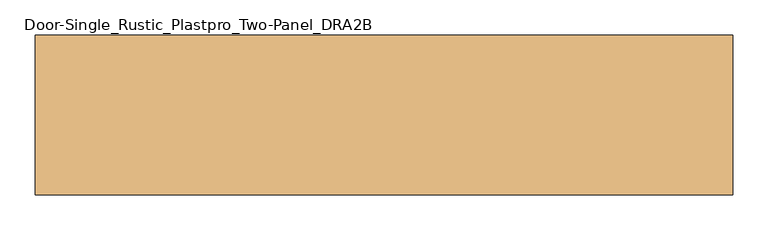
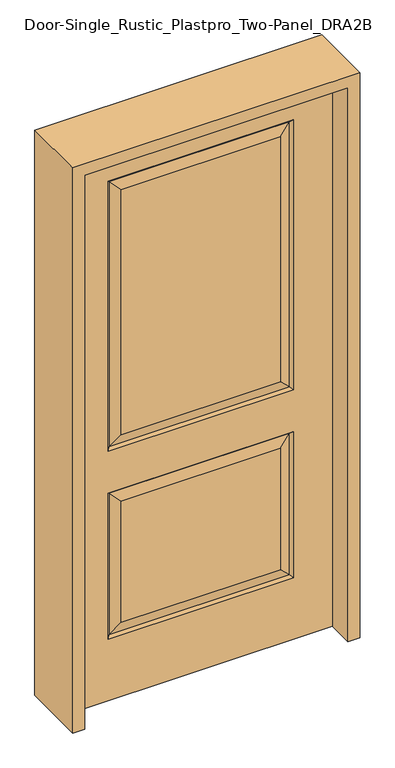
"""IFC4 building model written with IfcOpenShell, lengths in millimetres: door geometry, Door-Single_Rustic_Plastpro_Two-Panel_DRA2B."""

from ifc_helpers import new_model, si_unit, frame, origin, place, context, project, spatial, polyline, outline, extrude, faceted_brep, source, transform, mapped, element, save


def door_single_rustic_plastpro_two_panel_dra2b_9ab24afa(model_context):
    return source(origin(), model_context, "Body", "SolidModel", [
        faceted_brep([(457.2, 20.6375, 0.0), (457.2, -20.6375, 0.0), (-457.2, -20.6375, 0.0), (-457.2, 20.6375, 0.0), (457.2, 20.6375, 2032.0), (457.2, -20.6375, 2032.0), (-276.225, -20.6375, 960.4375), (276.225, -20.6375, 960.4375), (276.225, -20.6375, 1858.9625), (-276.225, -20.6375, 1858.9625), (-276.225, -20.6375, 271.4625), (276.225, -20.6375, 271.4625), (276.225, -20.6375, 715.9625), (-276.225, -20.6375, 715.9625), (-457.2, -20.6375, 2032.0), (322.2625, -20.6375, 914.4), (-322.2625, -20.6375, 914.4), (-322.2625, -20.6375, 1905.0), (322.2625, -20.6375, 1905.0), (322.2625, -20.6375, 225.425), (-322.2625, -20.6375, 225.425), (-322.2625, -20.6375, 762.0), (322.2625, -20.6375, 762.0), (-457.2, 20.6375, 2032.0), (-276.225, 20.6375, 715.9625), (276.225, 20.6375, 715.9625), (276.225, 20.6375, 271.4625), (-276.225, 20.6375, 271.4625), (-276.225, 20.6375, 1858.9625), (276.225, 20.6375, 1858.9625), (276.225, 20.6375, 960.4375), (-276.225, 20.6375, 960.4375), (322.2625, 20.6375, 762.0), (-322.2625, 20.6375, 762.0), (-322.2625, 20.6375, 225.425), (322.2625, 20.6375, 225.425), (322.2625, 20.6375, 1905.0), (-322.2625, 20.6375, 1905.0), (-322.2625, 20.6375, 914.4), (322.2625, 20.6375, 914.4), (-313.2822439, 11.6572439, 1896.0197439), (-313.2822439, 11.6572439, 923.3802561), (313.2822439, 11.6572439, 923.3802561), (313.2822439, 11.6572439, 1896.0197439), (313.2822439, 11.6572439, 753.0197439), (-313.2822439, 11.6572439, 753.0197439), (-313.2822439, 11.6572439, 234.4052561), (313.2822439, 11.6572439, 234.4052561), (313.2822439, -11.6572439, 923.3802561), (-313.2822439, -11.6572439, 923.3802561), (-313.2822439, -11.6572439, 1896.0197439), (313.2822439, -11.6572439, 1896.0197439), (313.2822439, -11.6572439, 234.4052561), (-313.2822439, -11.6572439, 234.4052561), (-313.2822439, -11.6572439, 753.0197439), (313.2822439, -11.6572439, 753.0197439)], [[[0, 1, 2, 3]], [[4, 5, 1, 0]], [[6, 7, 8, 9]], [[10, 11, 12, 13]], [[5, 14, 2, 1], [15, 16, 17, 18], [19, 20, 21, 22]], [[14, 23, 3, 2]], [[24, 25, 26, 27]], [[28, 29, 30, 31]], [[23, 4, 0, 3], [32, 33, 34, 35], [36, 37, 38, 39]], [[37, 40, 41, 38]], [[38, 41, 42, 39]], [[43, 36, 39, 42]], [[29, 43, 42, 30]], [[41, 31, 30, 42]], [[40, 28, 31, 41]], [[44, 45, 33, 32]], [[33, 45, 46, 34]], [[34, 46, 47, 35]], [[44, 32, 35, 47]], [[45, 44, 25, 24]], [[25, 44, 47, 26]], [[46, 27, 26, 47]], [[45, 24, 27, 46]], [[48, 49, 16, 15]], [[16, 49, 50, 17]], [[48, 15, 18, 51]], [[49, 48, 7, 6]], [[7, 48, 51, 8]], [[49, 6, 9, 50]], [[52, 53, 20, 19]], [[20, 53, 54, 21]], [[21, 54, 55, 22]], [[52, 19, 22, 55]], [[53, 52, 11, 10]], [[11, 52, 55, 12]], [[54, 13, 12, 55]], [[53, 10, 13, 54]], [[4, 23, 14, 5]], [[17, 50, 51, 18]], [[50, 9, 8, 51]], [[43, 40, 37, 36]], [[40, 43, 29, 28]]]),
        extrude(outline(polyline([(2073.275, -498.475), (0.0, -498.475), (0.0, -457.2), (2032.0, -457.2), (2032.0, 457.2), (0.0, 457.2), (0.0, 498.475), (2073.275, 498.475), (2073.275, -498.475)])), frame((0.0, -114.3, 0.0), z_axis=(0.0, 1.0, 0.0), x_axis=(0.0, 0.0, 1.0)), (0.0, 0.0, 1.0), 228.6),
    ])


if __name__ == "__main__":
    model = new_model("IFC4")
    model_context = context("Model", 3, world=origin())
    ifc_project = project(units=[si_unit("LENGTHUNIT", "METRE", prefix="MILLI")], contexts=[model_context])
    site = spatial("IfcSite", under=ifc_project)
    building = spatial("IfcBuilding", under=site)
    placement = place(None, origin())
    door_single_rustic_plastpro_two_panel_dra2b_shape = door_single_rustic_plastpro_two_panel_dra2b_9ab24afa(model_context)
    element("IfcDoor", 1, ObjectType="Door-Single_Rustic_Plastpro_Two-Panel_DRA2B", at=placement, inside=building, context=model_context, shape_type="MappedRepresentation", body=[
        mapped(door_single_rustic_plastpro_two_panel_dra2b_shape, transform((0.0, 0.0, 0.0), x_axis=(1.0, 0.0, 0.0), y_axis=(0.0, 1.0, 0.0), z_axis=(0.0, 0.0, 1.0))),
    ])
    save(model, "model.ifc")
